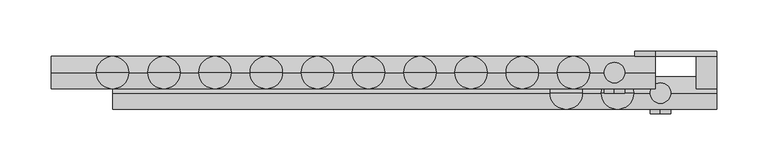
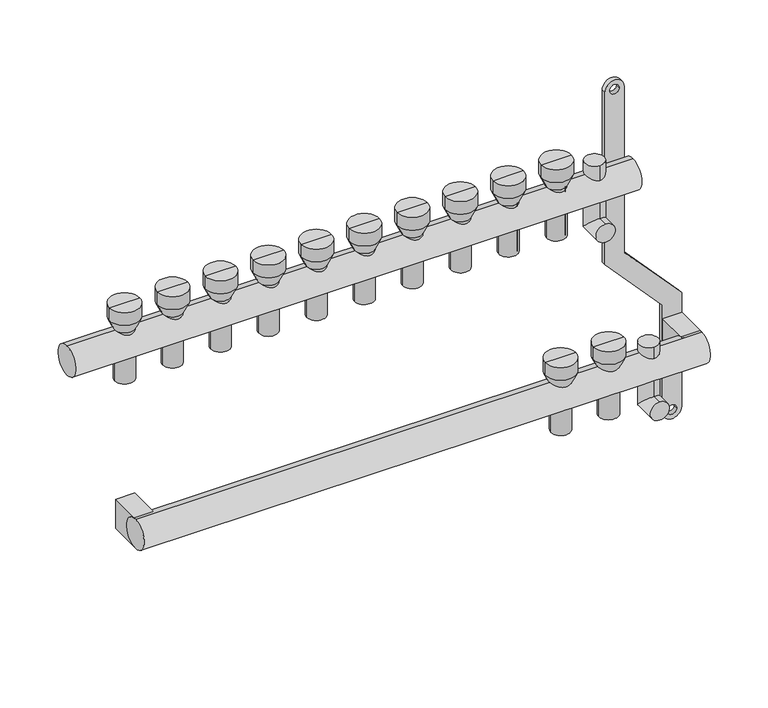
"""IFC4 building model written with IfcOpenShell, lengths in millimetres: proxy geometry."""

from ifc_helpers import new_model, si_unit, point, frame, frame_2d, origin, origin_2d, place, context, project, spatial, polyline, circle_curve, ellipse_curve, trimmed, segment, composite_curve, outline, extrude, source, transform, mapped, element, save
from ifc_brep_helpers import plane_surface, cylinder_surface, revolved_surface, advanced_brep


def mechanical_equipment_4b4aa3c7(model_context):
    return source(origin(), model_context, "Body", "SolidModel", [
        extrude(outline(composite_curve([segment(trimmed(circle_curve(frame_2d((86.2845679, 570.0)), 10.0), [point((86.2845679, 580.0))], [point((86.2845679, 560.0))], False, "CARTESIAN"), True, "CONTINUOUS"), segment(polyline([(86.2845679, 560.0), (-103.7138261, 560.0), (-169.0329221, 620.0), (-287.9537524, 620.0)]), True, "CONTINUOUS"), segment(trimmed(circle_curve(frame_2d((-287.9537524, 630.0)), 10.0), [point((-287.9537524, 620.0))], [point((-287.9537524, 640.0))], False, "CARTESIAN"), True, "CONTINUOUS"), segment(polyline([(-287.9537524, 640.0), (-162.5345282, 640.0), (-97.2154321, 580.0), (86.2845679, 580.0)]), True, "CONTINUOUS")], self_intersect=False), holes=[composite_curve([segment(trimmed(circle_curve(frame_2d((86.2845679, 570.0)), 5.0), [point((86.2845679, 565.0))], [point((86.2845679, 575.0))], True, "CARTESIAN"), True, "CONTINUOUS"), segment(trimmed(circle_curve(frame_2d((86.2845679, 570.0)), 5.0), [point((86.2845679, 575.0))], [point((86.2845679, 565.0))], True, "CARTESIAN"), True, "CONTINUOUS")], self_intersect=False), composite_curve([segment(trimmed(circle_curve(frame_2d((-287.9537524, 630.0)), 5.0), [point((-287.9537524, 625.0))], [point((-287.9537524, 635.0))], True, "CARTESIAN"), True, "CONTINUOUS"), segment(trimmed(circle_curve(frame_2d((-287.9537524, 630.0)), 5.0), [point((-287.9537524, 635.0))], [point((-287.9537524, 625.0))], True, "CARTESIAN"), True, "CONTINUOUS")], self_intersect=False)]), frame((0.0, 16.0, 0.0), z_axis=(0.0, 1.0, 0.0), x_axis=(0.0, 0.0, 1.0)), (0.0, 0.0, 1.0), 4.847249),
        advanced_brep(
        [(585.0, -40.0, -250.0), (585.0, -40.0, -230.0), (585.0, -10.0, -250.0), (585.0, -30.0, -230.0), (585.0, -10.0, -175.079492), (585.0, -30.0, -175.079492)],
        [
            (0, 1, circle_curve(frame((585.0, -40.0, -240.0), z_axis=(0.0, -1.0, 0.0), x_axis=(0.0, 0.0, 1.0)), 10.0)),
            (1, 0, circle_curve(frame((585.0, -40.0, -240.0), z_axis=(0.0, -1.0, 0.0), x_axis=(0.0, 0.0, 1.0)), 10.0)),
            (0, 2),
            (2, 3, ellipse_curve(frame((585.0, -20.0, -240.0), z_axis=(0.0, -0.7071067811865475, -0.7071067811865475), x_axis=(0.0, -0.7071067811865476, 0.7071067811865474)), 14.1421356, 10.0)),
            (3, 1),
            (3, 2, ellipse_curve(frame((585.0, -20.0, -240.0), z_axis=(0.0, -0.7071067811865475, -0.7071067811865475), x_axis=(0.0, -0.7071067811865476, 0.7071067811865474)), 14.1421356, 10.0)),
            (4, 5, circle_curve(frame((585.0, -20.0, -175.079492), z_axis=(0.0, 0.0, 1.0), x_axis=(0.0, -1.0, 0.0)), 10.0)),
            (5, 4, circle_curve(frame((585.0, -20.0, -175.079492), z_axis=(0.0, 0.0, 1.0), x_axis=(0.0, -1.0, 0.0)), 10.0)),
            (2, 4),
            (5, 3),
        ],
        [
            plane_surface(frame((585.0, -40.0, -240.0), z_axis=(0.0, -1.0, 0.0), x_axis=(1.0, 0.0, 0.0))),
            cylinder_surface(frame((585.0, -40.0, -240.0), z_axis=(0.0, -1.0, 0.0), x_axis=(0.0, 0.0, 1.0)), 10.0),
            plane_surface(frame((585.0, -20.0, -175.079492), z_axis=(0.0, 0.0, 1.0), x_axis=(1.0, 0.0, 0.0))),
            cylinder_surface(frame((585.0, -20.0, -240.0), z_axis=(0.0, 0.0, -1.0), x_axis=(0.0, -1.0, 0.0)), 10.0),
        ],
        [
            (0, [[1, 2]]),
            (1, [[-1, 3, 4, 5]]),
            (1, [[-2, -5, 6, -3]]),
            (2, [[7, 8]]),
            (3, [[-4, 9, -8, 10]]),
            (3, [[-6, -10, -7, -9]]),
        ],
    ),
        advanced_brep(
        [(540.0, -20.0, -50.0), (540.0, -20.0, -30.0), (540.0, 10.0, -50.0), (540.0, -10.0, -30.0), (540.0, 10.0, 28.420508), (540.0, -10.0, 28.420508)],
        [
            (0, 1, circle_curve(frame((540.0, -20.0, -40.0), z_axis=(0.0, -1.0, 0.0), x_axis=(0.0, 0.0, 1.0)), 10.0)),
            (1, 0, circle_curve(frame((540.0, -20.0, -40.0), z_axis=(0.0, -1.0, 0.0), x_axis=(0.0, 0.0, 1.0)), 10.0)),
            (0, 2),
            (2, 3, ellipse_curve(frame((540.0, 0.0, -40.0), z_axis=(0.0, -0.7071067811865486, -0.7071067811865464), x_axis=(0.0, -0.7071067811865466, 0.7071067811865485)), 14.1421356, 10.0)),
            (3, 1),
            (3, 2, ellipse_curve(frame((540.0, 0.0, -40.0), z_axis=(0.0, -0.7071067811865486, -0.7071067811865464), x_axis=(0.0, -0.7071067811865466, 0.7071067811865485)), 14.1421356, 10.0)),
            (4, 5, circle_curve(frame((540.0, 0.0, 28.420508), z_axis=(0.0, 0.0, 1.0), x_axis=(0.0, -1.0, 0.0)), 10.0)),
            (5, 4, circle_curve(frame((540.0, 0.0, 28.420508), z_axis=(0.0, 0.0, 1.0), x_axis=(0.0, -1.0, 0.0)), 10.0)),
            (2, 4),
            (5, 3),
        ],
        [
            plane_surface(frame((540.0, -20.0, -40.0), z_axis=(0.0, -1.0, 0.0), x_axis=(1.0, 0.0, 0.0))),
            cylinder_surface(frame((540.0, -20.0, -40.0), z_axis=(0.0, -1.0, 0.0), x_axis=(0.0, 0.0, 1.0)), 10.0),
            plane_surface(frame((540.0, 0.0, 28.420508), z_axis=(0.0, 0.0, 1.0), x_axis=(1.0, 0.0, 0.0))),
            cylinder_surface(frame((540.0, 0.0, -40.0), z_axis=(0.0, 0.0, -1.0), x_axis=(0.0, -1.0, 0.0)), 10.0),
        ],
        [
            (0, [[1, 2]]),
            (1, [[-1, 3, 4, 5]]),
            (1, [[-2, -5, 6, -3]]),
            (2, [[7, 8]]),
            (3, [[-4, 9, -8, 10]]),
            (3, [[-6, -10, -7, -9]]),
        ],
    ),
        extrude(outline(composite_curve([segment(trimmed(circle_curve(frame_2d((-20.0, -200.0)), 16.0), [point((-20.0, -216.0))], [point((-20.0, -184.0))], False, "CARTESIAN"), True, "CONTINUOUS"), segment(trimmed(circle_curve(frame_2d((-20.0, -200.0)), 16.0), [point((-20.0, -184.0))], [point((-20.0, -216.0))], False, "CARTESIAN"), True, "CONTINUOUS")], self_intersect=False)), frame((50.0, 0.0, 0.0), z_axis=(1.0, 0.0, 0.0), x_axis=(0.0, 1.0, 0.0)), (0.0, 0.0, 1.0), 590.0),
        extrude(outline(composite_curve([segment(trimmed(circle_curve(origin_2d(), 16.0), [point((0.0, -16.0))], [point((0.0, 16.0))], False, "CARTESIAN"), True, "CONTINUOUS"), segment(trimmed(circle_curve(origin_2d(), 16.0), [point((0.0, 16.0))], [point((0.0, -16.0))], False, "CARTESIAN"), True, "CONTINUOUS")], self_intersect=False)), frame((-10.0, 0.0, 0.0), z_axis=(1.0, 0.0, 0.0), x_axis=(0.0, 1.0, 0.0)), (0.0, 0.0, 1.0), 590.0),
        extrude(outline(polyline([(640.0, 16.0), (640.0, -20.0), (620.0, -20.0), (620.0, 16.0), (640.0, 16.0)])), frame((0.0, 0.0, -216.0), z_axis=(0.0, 0.0, 1.0), x_axis=(1.0, 0.0, 0.0)), (0.0, 0.0, 1.0), 32.0),
        extrude(outline(polyline([(70.0, 16.0), (70.0, -20.0), (50.0, -20.0), (50.0, 16.0), (70.0, 16.0)])), frame((0.0, 0.0, -216.0), z_axis=(0.0, 0.0, 1.0), x_axis=(1.0, 0.0, 0.0)), (0.0, 0.0, 1.0), 32.0),
        advanced_brep(
        [(508.0, 0.0, -40.0), (492.0, 0.0, -40.0), (492.0, 0.0, 16.0), (508.0, 0.0, 16.0), (510.0, 0.0, -40.0), (490.0, 0.0, -40.0), (510.0, 0.0, 16.0), (490.0, 0.0, 16.0), (515.791778, 0.0, 28.420508), (484.208222, 0.0, 28.420508), (515.791778, 0.0, 42.4712727), (484.208222, 0.0, 42.4712727), (500.0, 0.0, 42.4712727), (500.0, 0.0, 16.0)],
        [
            (0, 1, circle_curve(frame((500.0, 0.0, -40.0), z_axis=(0.0, 0.0, -1.0), x_axis=(-1.0, 0.0, 0.0)), 8.0)),
            (1, 2),
            (2, 3, circle_curve(frame((500.0, 0.0, 16.0), z_axis=(0.0, 0.0, 1.0), x_axis=(-1.0, 0.0, 0.0)), 8.0)),
            (3, 0),
            (1, 0, circle_curve(frame((500.0, 0.0, -40.0), z_axis=(0.0, 0.0, -1.0), x_axis=(-1.0, 0.0, 0.0)), 8.0)),
            (3, 2, circle_curve(frame((500.0, 0.0, 16.0), z_axis=(0.0, 0.0, 1.0), x_axis=(-1.0, 0.0, 0.0)), 8.0)),
            (4, 5, circle_curve(frame((500.0, 0.0, -40.0), z_axis=(0.0, 0.0, -1.0), x_axis=(-1.0, 0.0, 0.0)), 10.0)),
            (5, 1),
            (0, 4),
            (5, 4, circle_curve(frame((500.0, 0.0, -40.0), z_axis=(0.0, 0.0, -1.0), x_axis=(-1.0, 0.0, 0.0)), 10.0)),
            (6, 7, circle_curve(frame((500.0, 0.0, 16.0), z_axis=(0.0, 0.0, -1.0), x_axis=(-1.0, 0.0, 0.0)), 10.0)),
            (7, 5),
            (4, 6),
            (7, 6, circle_curve(frame((500.0, 0.0, 16.0), z_axis=(0.0, 0.0, -1.0), x_axis=(-1.0, 0.0, 0.0)), 10.0)),
            (8, 9, circle_curve(frame((500.0, 0.0, 28.420508), z_axis=(0.0, 0.0, -1.0), x_axis=(-1.0, 0.0, 0.0)), 15.791778)),
            (9, 7),
            (6, 8),
            (9, 8, circle_curve(frame((500.0, 0.0, 28.420508), z_axis=(0.0, 0.0, -1.0), x_axis=(-1.0, 0.0, 0.0)), 15.791778)),
            (10, 11, circle_curve(frame((500.0, 0.0, 42.4712727), z_axis=(0.0, 0.0, -1.0), x_axis=(-1.0, 0.0, 0.0)), 15.791778)),
            (11, 9),
            (8, 10),
            (11, 10, circle_curve(frame((500.0, 0.0, 42.4712727), z_axis=(0.0, 0.0, -1.0), x_axis=(-1.0, 0.0, 0.0)), 15.791778)),
            (12, 11),
            (10, 12),
            (2, 13),
            (13, 3),
        ],
        [
            revolved_surface(polyline([(492.0, 0.0, 16.0), (492.0, 0.0, -40.0)]), (500.0, 0.0, 0.0), (0.0, 0.0, 1.0)),
            plane_surface(frame((500.0, 0.0, -40.0), z_axis=(0.0, 0.0, -1.0), x_axis=(-1.0, 0.0, 0.0))),
            cylinder_surface(frame((500.0, 0.0, 0.0), z_axis=(0.0, 0.0, 1.0), x_axis=(-1.0, 0.0, 0.0)), 10.0),
            revolved_surface(polyline([(490.0, 0.0, 16.0), (484.208222, 0.0, 28.420508)]), (500.0, 0.0, 0.0), (0.0, 0.0, 1.0)),
            cylinder_surface(frame((500.0, 0.0, 0.0), z_axis=(0.0, 0.0, 1.0), x_axis=(-1.0, 0.0, 0.0)), 15.791778),
            plane_surface(frame((500.0, 0.0, 42.4712727), z_axis=(0.0, 0.0, 1.0), x_axis=(-1.0, 0.0, 0.0))),
            plane_surface(frame((500.0, 0.0, 16.0), z_axis=(0.0, 0.0, -1.0), x_axis=(-1.0, 0.0, 0.0))),
        ],
        [
            (0, [[1, 2, 3, 4]]),
            (0, [[5, -4, 6, -2]]),
            (1, [[7, 8, -1, 9]]),
            (1, [[10, -9, -5, -8]]),
            (2, [[11, 12, -7, 13]]),
            (2, [[14, -13, -10, -12]]),
            (3, [[15, 16, -11, 17]]),
            (3, [[18, -17, -14, -16]]),
            (4, [[19, 20, -15, 21]]),
            (4, [[22, -21, -18, -20]]),
            (5, [[23, -19, 24]]),
            (5, [[-24, -22, -23]]),
            (6, [[-3, 25, 26]]),
            (6, [[-6, -26, -25]]),
        ],
    ),
        advanced_brep(
        [(458.0, 0.0, -40.0), (442.0, 0.0, -40.0), (442.0, 0.0, 16.0), (458.0, 0.0, 16.0), (460.0, 0.0, -40.0), (440.0, 0.0, -40.0), (460.0, 0.0, 16.0), (440.0, 0.0, 16.0), (465.791778, 0.0, 28.420508), (434.208222, 0.0, 28.420508), (465.791778, 0.0, 42.4712727), (434.208222, 0.0, 42.4712727), (450.0, 0.0, 42.4712727), (450.0, 0.0, 16.0)],
        [
            (0, 1, circle_curve(frame((450.0, 0.0, -40.0), z_axis=(0.0, 0.0, -1.0), x_axis=(-1.0, 0.0, 0.0)), 8.0)),
            (1, 2),
            (2, 3, circle_curve(frame((450.0, 0.0, 16.0), z_axis=(0.0, 0.0, 1.0), x_axis=(-1.0, 0.0, 0.0)), 8.0)),
            (3, 0),
            (1, 0, circle_curve(frame((450.0, 0.0, -40.0), z_axis=(0.0, 0.0, -1.0), x_axis=(-1.0, 0.0, 0.0)), 8.0)),
            (3, 2, circle_curve(frame((450.0, 0.0, 16.0), z_axis=(0.0, 0.0, 1.0), x_axis=(-1.0, 0.0, 0.0)), 8.0)),
            (4, 5, circle_curve(frame((450.0, 0.0, -40.0), z_axis=(0.0, 0.0, -1.0), x_axis=(-1.0, 0.0, 0.0)), 10.0)),
            (5, 1),
            (0, 4),
            (5, 4, circle_curve(frame((450.0, 0.0, -40.0), z_axis=(0.0, 0.0, -1.0), x_axis=(-1.0, 0.0, 0.0)), 10.0)),
            (6, 7, circle_curve(frame((450.0, 0.0, 16.0), z_axis=(0.0, 0.0, -1.0), x_axis=(-1.0, 0.0, 0.0)), 10.0)),
            (7, 5),
            (4, 6),
            (7, 6, circle_curve(frame((450.0, 0.0, 16.0), z_axis=(0.0, 0.0, -1.0), x_axis=(-1.0, 0.0, 0.0)), 10.0)),
            (8, 9, circle_curve(frame((450.0, 0.0, 28.420508), z_axis=(0.0, 0.0, -1.0), x_axis=(-1.0, 0.0, 0.0)), 15.791778)),
            (9, 7),
            (6, 8),
            (9, 8, circle_curve(frame((450.0, 0.0, 28.420508), z_axis=(0.0, 0.0, -1.0), x_axis=(-1.0, 0.0, 0.0)), 15.791778)),
            (10, 11, circle_curve(frame((450.0, 0.0, 42.4712727), z_axis=(0.0, 0.0, -1.0), x_axis=(-1.0, 0.0, 0.0)), 15.791778)),
            (11, 9),
            (8, 10),
            (11, 10, circle_curve(frame((450.0, 0.0, 42.4712727), z_axis=(0.0, 0.0, -1.0), x_axis=(-1.0, 0.0, 0.0)), 15.791778)),
            (12, 11),
            (10, 12),
            (2, 13),
            (13, 3),
        ],
        [
            revolved_surface(polyline([(442.0, 0.0, 16.0), (442.0, 0.0, -40.0)]), (450.0, 0.0, 0.0), (0.0, 0.0, 1.0)),
            plane_surface(frame((450.0, 0.0, -40.0), z_axis=(0.0, 0.0, -1.0), x_axis=(-1.0, 0.0, 0.0))),
            cylinder_surface(frame((450.0, 0.0, 0.0), z_axis=(0.0, 0.0, 1.0), x_axis=(-1.0, 0.0, 0.0)), 10.0),
            revolved_surface(polyline([(440.0, 0.0, 16.0), (434.208222, 0.0, 28.420508)]), (450.0, 0.0, 0.0), (0.0, 0.0, 1.0)),
            cylinder_surface(frame((450.0, 0.0, 0.0), z_axis=(0.0, 0.0, 1.0), x_axis=(-1.0, 0.0, 0.0)), 15.791778),
            plane_surface(frame((450.0, 0.0, 42.4712727), z_axis=(0.0, 0.0, 1.0), x_axis=(-1.0, 0.0, 0.0))),
            plane_surface(frame((450.0, 0.0, 16.0), z_axis=(0.0, 0.0, -1.0), x_axis=(-1.0, 0.0, 0.0))),
        ],
        [
            (0, [[1, 2, 3, 4]]),
            (0, [[5, -4, 6, -2]]),
            (1, [[7, 8, -1, 9]]),
            (1, [[10, -9, -5, -8]]),
            (2, [[11, 12, -7, 13]]),
            (2, [[14, -13, -10, -12]]),
            (3, [[15, 16, -11, 17]]),
            (3, [[18, -17, -14, -16]]),
            (4, [[19, 20, -15, 21]]),
            (4, [[22, -21, -18, -20]]),
            (5, [[23, -19, 24]]),
            (5, [[-24, -22, -23]]),
            (6, [[-3, 25, 26]]),
            (6, [[-6, -26, -25]]),
        ],
    ),
        advanced_brep(
        [(408.0, 0.0, -40.0), (392.0, 0.0, -40.0), (392.0, 0.0, 16.0), (408.0, 0.0, 16.0), (410.0, 0.0, -40.0), (390.0, 0.0, -40.0), (410.0, 0.0, 16.0), (390.0, 0.0, 16.0), (415.791778, 0.0, 28.420508), (384.208222, 0.0, 28.420508), (415.791778, 0.0, 42.4712727), (384.208222, 0.0, 42.4712727), (400.0, 0.0, 42.4712727), (400.0, 0.0, 16.0)],
        [
            (0, 1, circle_curve(frame((400.0, 0.0, -40.0), z_axis=(0.0, 0.0, -1.0), x_axis=(-1.0, 0.0, 0.0)), 8.0)),
            (1, 2),
            (2, 3, circle_curve(frame((400.0, 0.0, 16.0), z_axis=(0.0, 0.0, 1.0), x_axis=(-1.0, 0.0, 0.0)), 8.0)),
            (3, 0),
            (1, 0, circle_curve(frame((400.0, 0.0, -40.0), z_axis=(0.0, 0.0, -1.0), x_axis=(-1.0, 0.0, 0.0)), 8.0)),
            (3, 2, circle_curve(frame((400.0, 0.0, 16.0), z_axis=(0.0, 0.0, 1.0), x_axis=(-1.0, 0.0, 0.0)), 8.0)),
            (4, 5, circle_curve(frame((400.0, 0.0, -40.0), z_axis=(0.0, 0.0, -1.0), x_axis=(-1.0, 0.0, 0.0)), 10.0)),
            (5, 1),
            (0, 4),
            (5, 4, circle_curve(frame((400.0, 0.0, -40.0), z_axis=(0.0, 0.0, -1.0), x_axis=(-1.0, 0.0, 0.0)), 10.0)),
            (6, 7, circle_curve(frame((400.0, 0.0, 16.0), z_axis=(0.0, 0.0, -1.0), x_axis=(-1.0, 0.0, 0.0)), 10.0)),
            (7, 5),
            (4, 6),
            (7, 6, circle_curve(frame((400.0, 0.0, 16.0), z_axis=(0.0, 0.0, -1.0), x_axis=(-1.0, 0.0, 0.0)), 10.0)),
            (8, 9, circle_curve(frame((400.0, 0.0, 28.420508), z_axis=(0.0, 0.0, -1.0), x_axis=(-1.0, 0.0, 0.0)), 15.791778)),
            (9, 7),
            (6, 8),
            (9, 8, circle_curve(frame((400.0, 0.0, 28.420508), z_axis=(0.0, 0.0, -1.0), x_axis=(-1.0, 0.0, 0.0)), 15.791778)),
            (10, 11, circle_curve(frame((400.0, 0.0, 42.4712727), z_axis=(0.0, 0.0, -1.0), x_axis=(-1.0, 0.0, 0.0)), 15.791778)),
            (11, 9),
            (8, 10),
            (11, 10, circle_curve(frame((400.0, 0.0, 42.4712727), z_axis=(0.0, 0.0, -1.0), x_axis=(-1.0, 0.0, 0.0)), 15.791778)),
            (12, 11),
            (10, 12),
            (2, 13),
            (13, 3),
        ],
        [
            revolved_surface(polyline([(392.0, 0.0, 16.0), (392.0, 0.0, -40.0)]), (400.0, 0.0, 0.0), (0.0, 0.0, 1.0)),
            plane_surface(frame((400.0, 0.0, -40.0), z_axis=(0.0, 0.0, -1.0), x_axis=(-1.0, 0.0, 0.0))),
            cylinder_surface(frame((400.0, 0.0, 0.0), z_axis=(0.0, 0.0, 1.0), x_axis=(-1.0, 0.0, 0.0)), 10.0),
            revolved_surface(polyline([(390.0, 0.0, 16.0), (384.208222, 0.0, 28.420508)]), (400.0, 0.0, 0.0), (0.0, 0.0, 1.0)),
            cylinder_surface(frame((400.0, 0.0, 0.0), z_axis=(0.0, 0.0, 1.0), x_axis=(-1.0, 0.0, 0.0)), 15.791778),
            plane_surface(frame((400.0, 0.0, 42.4712727), z_axis=(0.0, 0.0, 1.0), x_axis=(-1.0, 0.0, 0.0))),
            plane_surface(frame((400.0, 0.0, 16.0), z_axis=(0.0, 0.0, -1.0), x_axis=(-1.0, 0.0, 0.0))),
        ],
        [
            (0, [[1, 2, 3, 4]]),
            (0, [[5, -4, 6, -2]]),
            (1, [[7, 8, -1, 9]]),
            (1, [[10, -9, -5, -8]]),
            (2, [[11, 12, -7, 13]]),
            (2, [[14, -13, -10, -12]]),
            (3, [[15, 16, -11, 17]]),
            (3, [[18, -17, -14, -16]]),
            (4, [[19, 20, -15, 21]]),
            (4, [[22, -21, -18, -20]]),
            (5, [[23, -19, 24]]),
            (5, [[-24, -22, -23]]),
            (6, [[-3, 25, 26]]),
            (6, [[-6, -26, -25]]),
        ],
    ),
        advanced_brep(
        [(358.0, 0.0, -40.0), (342.0, 0.0, -40.0), (342.0, 0.0, 16.0), (358.0, 0.0, 16.0), (360.0, 0.0, -40.0), (340.0, 0.0, -40.0), (360.0, 0.0, 16.0), (340.0, 0.0, 16.0), (365.791778, 0.0, 28.420508), (334.208222, 0.0, 28.420508), (365.791778, 0.0, 42.4712727), (334.208222, 0.0, 42.4712727), (350.0, 0.0, 42.4712727), (350.0, 0.0, 16.0)],
        [
            (0, 1, circle_curve(frame((350.0, 0.0, -40.0), z_axis=(0.0, 0.0, -1.0), x_axis=(-1.0, 0.0, 0.0)), 8.0)),
            (1, 2),
            (2, 3, circle_curve(frame((350.0, 0.0, 16.0), z_axis=(0.0, 0.0, 1.0), x_axis=(-1.0, 0.0, 0.0)), 8.0)),
            (3, 0),
            (1, 0, circle_curve(frame((350.0, 0.0, -40.0), z_axis=(0.0, 0.0, -1.0), x_axis=(-1.0, 0.0, 0.0)), 8.0)),
            (3, 2, circle_curve(frame((350.0, 0.0, 16.0), z_axis=(0.0, 0.0, 1.0), x_axis=(-1.0, 0.0, 0.0)), 8.0)),
            (4, 5, circle_curve(frame((350.0, 0.0, -40.0), z_axis=(0.0, 0.0, -1.0), x_axis=(-1.0, 0.0, 0.0)), 10.0)),
            (5, 1),
            (0, 4),
            (5, 4, circle_curve(frame((350.0, 0.0, -40.0), z_axis=(0.0, 0.0, -1.0), x_axis=(-1.0, 0.0, 0.0)), 10.0)),
            (6, 7, circle_curve(frame((350.0, 0.0, 16.0), z_axis=(0.0, 0.0, -1.0), x_axis=(-1.0, 0.0, 0.0)), 10.0)),
            (7, 5),
            (4, 6),
            (7, 6, circle_curve(frame((350.0, 0.0, 16.0), z_axis=(0.0, 0.0, -1.0), x_axis=(-1.0, 0.0, 0.0)), 10.0)),
            (8, 9, circle_curve(frame((350.0, 0.0, 28.420508), z_axis=(0.0, 0.0, -1.0), x_axis=(-1.0, 0.0, 0.0)), 15.791778)),
            (9, 7),
            (6, 8),
            (9, 8, circle_curve(frame((350.0, 0.0, 28.420508), z_axis=(0.0, 0.0, -1.0), x_axis=(-1.0, 0.0, 0.0)), 15.791778)),
            (10, 11, circle_curve(frame((350.0, 0.0, 42.4712727), z_axis=(0.0, 0.0, -1.0), x_axis=(-1.0, 0.0, 0.0)), 15.791778)),
            (11, 9),
            (8, 10),
            (11, 10, circle_curve(frame((350.0, 0.0, 42.4712727), z_axis=(0.0, 0.0, -1.0), x_axis=(-1.0, 0.0, 0.0)), 15.791778)),
            (12, 11),
            (10, 12),
            (2, 13),
            (13, 3),
        ],
        [
            revolved_surface(polyline([(342.0, 0.0, 16.0), (342.0, 0.0, -40.0)]), (350.0, 0.0, 0.0), (0.0, 0.0, 1.0)),
            plane_surface(frame((350.0, 0.0, -40.0), z_axis=(0.0, 0.0, -1.0), x_axis=(-1.0, 0.0, 0.0))),
            cylinder_surface(frame((350.0, 0.0, 0.0), z_axis=(0.0, 0.0, 1.0), x_axis=(-1.0, 0.0, 0.0)), 10.0),
            revolved_surface(polyline([(340.0, 0.0, 16.0), (334.208222, 0.0, 28.420508)]), (350.0, 0.0, 0.0), (0.0, 0.0, 1.0)),
            cylinder_surface(frame((350.0, 0.0, 0.0), z_axis=(0.0, 0.0, 1.0), x_axis=(-1.0, 0.0, 0.0)), 15.791778),
            plane_surface(frame((350.0, 0.0, 42.4712727), z_axis=(0.0, 0.0, 1.0), x_axis=(-1.0, 0.0, 0.0))),
            plane_surface(frame((350.0, 0.0, 16.0), z_axis=(0.0, 0.0, -1.0), x_axis=(-1.0, 0.0, 0.0))),
        ],
        [
            (0, [[1, 2, 3, 4]]),
            (0, [[5, -4, 6, -2]]),
            (1, [[7, 8, -1, 9]]),
            (1, [[10, -9, -5, -8]]),
            (2, [[11, 12, -7, 13]]),
            (2, [[14, -13, -10, -12]]),
            (3, [[15, 16, -11, 17]]),
            (3, [[18, -17, -14, -16]]),
            (4, [[19, 20, -15, 21]]),
            (4, [[22, -21, -18, -20]]),
            (5, [[23, -19, 24]]),
            (5, [[-24, -22, -23]]),
            (6, [[-3, 25, 26]]),
            (6, [[-6, -26, -25]]),
        ],
    ),
        advanced_brep(
        [(308.0, 0.0, -40.0), (292.0, 0.0, -40.0), (292.0, 0.0, 16.0), (308.0, 0.0, 16.0), (310.0, 0.0, -40.0), (290.0, 0.0, -40.0), (310.0, 0.0, 16.0), (290.0, 0.0, 16.0), (315.791778, 0.0, 28.420508), (284.208222, 0.0, 28.420508), (315.791778, 0.0, 42.4712727), (284.208222, 0.0, 42.4712727), (300.0, 0.0, 42.4712727), (300.0, 0.0, 16.0)],
        [
            (0, 1, circle_curve(frame((300.0, 0.0, -40.0), z_axis=(0.0, 0.0, -1.0), x_axis=(-1.0, 0.0, 0.0)), 8.0)),
            (1, 2),
            (2, 3, circle_curve(frame((300.0, 0.0, 16.0), z_axis=(0.0, 0.0, 1.0), x_axis=(-1.0, 0.0, 0.0)), 8.0)),
            (3, 0),
            (1, 0, circle_curve(frame((300.0, 0.0, -40.0), z_axis=(0.0, 0.0, -1.0), x_axis=(-1.0, 0.0, 0.0)), 8.0)),
            (3, 2, circle_curve(frame((300.0, 0.0, 16.0), z_axis=(0.0, 0.0, 1.0), x_axis=(-1.0, 0.0, 0.0)), 8.0)),
            (4, 5, circle_curve(frame((300.0, 0.0, -40.0), z_axis=(0.0, 0.0, -1.0), x_axis=(-1.0, 0.0, 0.0)), 10.0)),
            (5, 1),
            (0, 4),
            (5, 4, circle_curve(frame((300.0, 0.0, -40.0), z_axis=(0.0, 0.0, -1.0), x_axis=(-1.0, 0.0, 0.0)), 10.0)),
            (6, 7, circle_curve(frame((300.0, 0.0, 16.0), z_axis=(0.0, 0.0, -1.0), x_axis=(-1.0, 0.0, 0.0)), 10.0)),
            (7, 5),
            (4, 6),
            (7, 6, circle_curve(frame((300.0, 0.0, 16.0), z_axis=(0.0, 0.0, -1.0), x_axis=(-1.0, 0.0, 0.0)), 10.0)),
            (8, 9, circle_curve(frame((300.0, 0.0, 28.420508), z_axis=(0.0, 0.0, -1.0), x_axis=(-1.0, 0.0, 0.0)), 15.791778)),
            (9, 7),
            (6, 8),
            (9, 8, circle_curve(frame((300.0, 0.0, 28.420508), z_axis=(0.0, 0.0, -1.0), x_axis=(-1.0, 0.0, 0.0)), 15.791778)),
            (10, 11, circle_curve(frame((300.0, 0.0, 42.4712727), z_axis=(0.0, 0.0, -1.0), x_axis=(-1.0, 0.0, 0.0)), 15.791778)),
            (11, 9),
            (8, 10),
            (11, 10, circle_curve(frame((300.0, 0.0, 42.4712727), z_axis=(0.0, 0.0, -1.0), x_axis=(-1.0, 0.0, 0.0)), 15.791778)),
            (12, 11),
            (10, 12),
            (2, 13),
            (13, 3),
        ],
        [
            revolved_surface(polyline([(292.0, 0.0, 16.0), (292.0, 0.0, -40.0)]), (300.0, 0.0, 0.0), (0.0, 0.0, 1.0)),
            plane_surface(frame((300.0, 0.0, -40.0), z_axis=(0.0, 0.0, -1.0), x_axis=(-1.0, 0.0, 0.0))),
            cylinder_surface(frame((300.0, 0.0, 0.0), z_axis=(0.0, 0.0, 1.0), x_axis=(-1.0, 0.0, 0.0)), 10.0),
            revolved_surface(polyline([(290.0, 0.0, 16.0), (284.208222, 0.0, 28.420508)]), (300.0, 0.0, 0.0), (0.0, 0.0, 1.0)),
            cylinder_surface(frame((300.0, 0.0, 0.0), z_axis=(0.0, 0.0, 1.0), x_axis=(-1.0, 0.0, 0.0)), 15.791778),
            plane_surface(frame((300.0, 0.0, 42.4712727), z_axis=(0.0, 0.0, 1.0), x_axis=(-1.0, 0.0, 0.0))),
            plane_surface(frame((300.0, 0.0, 16.0), z_axis=(0.0, 0.0, -1.0), x_axis=(-1.0, 0.0, 0.0))),
        ],
        [
            (0, [[1, 2, 3, 4]]),
            (0, [[5, -4, 6, -2]]),
            (1, [[7, 8, -1, 9]]),
            (1, [[10, -9, -5, -8]]),
            (2, [[11, 12, -7, 13]]),
            (2, [[14, -13, -10, -12]]),
            (3, [[15, 16, -11, 17]]),
            (3, [[18, -17, -14, -16]]),
            (4, [[19, 20, -15, 21]]),
            (4, [[22, -21, -18, -20]]),
            (5, [[23, -19, 24]]),
            (5, [[-24, -22, -23]]),
            (6, [[-3, 25, 26]]),
            (6, [[-6, -26, -25]]),
        ],
    ),
        advanced_brep(
        [(258.0, 0.0, -40.0), (242.0, 0.0, -40.0), (242.0, 0.0, 16.0), (258.0, 0.0, 16.0), (260.0, 0.0, -40.0), (240.0, 0.0, -40.0), (260.0, 0.0, 16.0), (240.0, 0.0, 16.0), (265.791778, 0.0, 28.420508), (234.208222, 0.0, 28.420508), (265.791778, 0.0, 42.4712727), (234.208222, 0.0, 42.4712727), (250.0, 0.0, 42.4712727), (250.0, 0.0, 16.0)],
        [
            (0, 1, circle_curve(frame((250.0, 0.0, -40.0), z_axis=(0.0, 0.0, -1.0), x_axis=(-1.0, 0.0, 0.0)), 8.0)),
            (1, 2),
            (2, 3, circle_curve(frame((250.0, 0.0, 16.0), z_axis=(0.0, 0.0, 1.0), x_axis=(-1.0, 0.0, 0.0)), 8.0)),
            (3, 0),
            (1, 0, circle_curve(frame((250.0, 0.0, -40.0), z_axis=(0.0, 0.0, -1.0), x_axis=(-1.0, 0.0, 0.0)), 8.0)),
            (3, 2, circle_curve(frame((250.0, 0.0, 16.0), z_axis=(0.0, 0.0, 1.0), x_axis=(-1.0, 0.0, 0.0)), 8.0)),
            (4, 5, circle_curve(frame((250.0, 0.0, -40.0), z_axis=(0.0, 0.0, -1.0), x_axis=(-1.0, 0.0, 0.0)), 10.0)),
            (5, 1),
            (0, 4),
            (5, 4, circle_curve(frame((250.0, 0.0, -40.0), z_axis=(0.0, 0.0, -1.0), x_axis=(-1.0, 0.0, 0.0)), 10.0)),
            (6, 7, circle_curve(frame((250.0, 0.0, 16.0), z_axis=(0.0, 0.0, -1.0), x_axis=(-1.0, 0.0, 0.0)), 10.0)),
            (7, 5),
            (4, 6),
            (7, 6, circle_curve(frame((250.0, 0.0, 16.0), z_axis=(0.0, 0.0, -1.0), x_axis=(-1.0, 0.0, 0.0)), 10.0)),
            (8, 9, circle_curve(frame((250.0, 0.0, 28.420508), z_axis=(0.0, 0.0, -1.0), x_axis=(-1.0, 0.0, 0.0)), 15.791778)),
            (9, 7),
            (6, 8),
            (9, 8, circle_curve(frame((250.0, 0.0, 28.420508), z_axis=(0.0, 0.0, -1.0), x_axis=(-1.0, 0.0, 0.0)), 15.791778)),
            (10, 11, circle_curve(frame((250.0, 0.0, 42.4712727), z_axis=(0.0, 0.0, -1.0), x_axis=(-1.0, 0.0, 0.0)), 15.791778)),
            (11, 9),
            (8, 10),
            (11, 10, circle_curve(frame((250.0, 0.0, 42.4712727), z_axis=(0.0, 0.0, -1.0), x_axis=(-1.0, 0.0, 0.0)), 15.791778)),
            (12, 11),
            (10, 12),
            (2, 13),
            (13, 3),
        ],
        [
            revolved_surface(polyline([(242.0, 0.0, 16.0), (242.0, 0.0, -40.0)]), (250.0, 0.0, 0.0), (0.0, 0.0, 1.0)),
            plane_surface(frame((250.0, 0.0, -40.0), z_axis=(0.0, 0.0, -1.0), x_axis=(-1.0, 0.0, 0.0))),
            cylinder_surface(frame((250.0, 0.0, 0.0), z_axis=(0.0, 0.0, 1.0), x_axis=(-1.0, 0.0, 0.0)), 10.0),
            revolved_surface(polyline([(240.0, 0.0, 16.0), (234.208222, 0.0, 28.420508)]), (250.0, 0.0, 0.0), (0.0, 0.0, 1.0)),
            cylinder_surface(frame((250.0, 0.0, 0.0), z_axis=(0.0, 0.0, 1.0), x_axis=(-1.0, 0.0, 0.0)), 15.791778),
            plane_surface(frame((250.0, 0.0, 42.4712727), z_axis=(0.0, 0.0, 1.0), x_axis=(-1.0, 0.0, 0.0))),
            plane_surface(frame((250.0, 0.0, 16.0), z_axis=(0.0, 0.0, -1.0), x_axis=(-1.0, 0.0, 0.0))),
        ],
        [
            (0, [[1, 2, 3, 4]]),
            (0, [[5, -4, 6, -2]]),
            (1, [[7, 8, -1, 9]]),
            (1, [[10, -9, -5, -8]]),
            (2, [[11, 12, -7, 13]]),
            (2, [[14, -13, -10, -12]]),
            (3, [[15, 16, -11, 17]]),
            (3, [[18, -17, -14, -16]]),
            (4, [[19, 20, -15, 21]]),
            (4, [[22, -21, -18, -20]]),
            (5, [[23, -19, 24]]),
            (5, [[-24, -22, -23]]),
            (6, [[-3, 25, 26]]),
            (6, [[-6, -26, -25]]),
        ],
    ),
        advanced_brep(
        [(208.0, 0.0, -40.0), (192.0, 0.0, -40.0), (192.0, 0.0, 16.0), (208.0, 0.0, 16.0), (210.0, 0.0, -40.0), (190.0, 0.0, -40.0), (210.0, 0.0, 16.0), (190.0, 0.0, 16.0), (215.791778, 0.0, 28.420508), (184.208222, 0.0, 28.420508), (215.791778, 0.0, 42.4712727), (184.208222, 0.0, 42.4712727), (200.0, 0.0, 42.4712727), (200.0, 0.0, 16.0)],
        [
            (0, 1, circle_curve(frame((200.0, 0.0, -40.0), z_axis=(0.0, 0.0, -1.0), x_axis=(-1.0, 0.0, 0.0)), 8.0)),
            (1, 2),
            (2, 3, circle_curve(frame((200.0, 0.0, 16.0), z_axis=(0.0, 0.0, 1.0), x_axis=(-1.0, 0.0, 0.0)), 8.0)),
            (3, 0),
            (1, 0, circle_curve(frame((200.0, 0.0, -40.0), z_axis=(0.0, 0.0, -1.0), x_axis=(-1.0, 0.0, 0.0)), 8.0)),
            (3, 2, circle_curve(frame((200.0, 0.0, 16.0), z_axis=(0.0, 0.0, 1.0), x_axis=(-1.0, 0.0, 0.0)), 8.0)),
            (4, 5, circle_curve(frame((200.0, 0.0, -40.0), z_axis=(0.0, 0.0, -1.0), x_axis=(-1.0, 0.0, 0.0)), 10.0)),
            (5, 1),
            (0, 4),
            (5, 4, circle_curve(frame((200.0, 0.0, -40.0), z_axis=(0.0, 0.0, -1.0), x_axis=(-1.0, 0.0, 0.0)), 10.0)),
            (6, 7, circle_curve(frame((200.0, 0.0, 16.0), z_axis=(0.0, 0.0, -1.0), x_axis=(-1.0, 0.0, 0.0)), 10.0)),
            (7, 5),
            (4, 6),
            (7, 6, circle_curve(frame((200.0, 0.0, 16.0), z_axis=(0.0, 0.0, -1.0), x_axis=(-1.0, 0.0, 0.0)), 10.0)),
            (8, 9, circle_curve(frame((200.0, 0.0, 28.420508), z_axis=(0.0, 0.0, -1.0), x_axis=(-1.0, 0.0, 0.0)), 15.791778)),
            (9, 7),
            (6, 8),
            (9, 8, circle_curve(frame((200.0, 0.0, 28.420508), z_axis=(0.0, 0.0, -1.0), x_axis=(-1.0, 0.0, 0.0)), 15.791778)),
            (10, 11, circle_curve(frame((200.0, 0.0, 42.4712727), z_axis=(0.0, 0.0, -1.0), x_axis=(-1.0, 0.0, 0.0)), 15.791778)),
            (11, 9),
            (8, 10),
            (11, 10, circle_curve(frame((200.0, 0.0, 42.4712727), z_axis=(0.0, 0.0, -1.0), x_axis=(-1.0, 0.0, 0.0)), 15.791778)),
            (12, 11),
            (10, 12),
            (2, 13),
            (13, 3),
        ],
        [
            revolved_surface(polyline([(192.0, 0.0, 16.0), (192.0, 0.0, -40.0)]), (200.0, 0.0, 0.0), (0.0, 0.0, 1.0)),
            plane_surface(frame((200.0, 0.0, -40.0), z_axis=(0.0, 0.0, -1.0), x_axis=(-1.0, 0.0, 0.0))),
            cylinder_surface(frame((200.0, 0.0, 0.0), z_axis=(0.0, 0.0, 1.0), x_axis=(-1.0, 0.0, 0.0)), 10.0),
            revolved_surface(polyline([(190.0, 0.0, 16.0), (184.208222, 0.0, 28.420508)]), (200.0, 0.0, 0.0), (0.0, 0.0, 1.0)),
            cylinder_surface(frame((200.0, 0.0, 0.0), z_axis=(0.0, 0.0, 1.0), x_axis=(-1.0, 0.0, 0.0)), 15.791778),
            plane_surface(frame((200.0, 0.0, 42.4712727), z_axis=(0.0, 0.0, 1.0), x_axis=(-1.0, 0.0, 0.0))),
            plane_surface(frame((200.0, 0.0, 16.0), z_axis=(0.0, 0.0, -1.0), x_axis=(-1.0, 0.0, 0.0))),
        ],
        [
            (0, [[1, 2, 3, 4]]),
            (0, [[5, -4, 6, -2]]),
            (1, [[7, 8, -1, 9]]),
            (1, [[10, -9, -5, -8]]),
            (2, [[11, 12, -7, 13]]),
            (2, [[14, -13, -10, -12]]),
            (3, [[15, 16, -11, 17]]),
            (3, [[18, -17, -14, -16]]),
            (4, [[19, 20, -15, 21]]),
            (4, [[22, -21, -18, -20]]),
            (5, [[23, -19, 24]]),
            (5, [[-24, -22, -23]]),
            (6, [[-3, 25, 26]]),
            (6, [[-6, -26, -25]]),
        ],
    ),
        advanced_brep(
        [(158.0, 0.0, -40.0), (142.0, 0.0, -40.0), (142.0, 0.0, 16.0), (158.0, 0.0, 16.0), (160.0, 0.0, -40.0), (140.0, 0.0, -40.0), (160.0, 0.0, 16.0), (140.0, 0.0, 16.0), (165.791778, 0.0, 28.420508), (134.208222, 0.0, 28.420508), (165.791778, 0.0, 42.4712727), (134.208222, 0.0, 42.4712727), (150.0, 0.0, 42.4712727), (150.0, 0.0, 16.0)],
        [
            (0, 1, circle_curve(frame((150.0, 0.0, -40.0), z_axis=(0.0, 0.0, -1.0), x_axis=(-1.0, 0.0, 0.0)), 8.0)),
            (1, 2),
            (2, 3, circle_curve(frame((150.0, 0.0, 16.0), z_axis=(0.0, 0.0, 1.0), x_axis=(-1.0, 0.0, 0.0)), 8.0)),
            (3, 0),
            (1, 0, circle_curve(frame((150.0, 0.0, -40.0), z_axis=(0.0, 0.0, -1.0), x_axis=(-1.0, 0.0, 0.0)), 8.0)),
            (3, 2, circle_curve(frame((150.0, 0.0, 16.0), z_axis=(0.0, 0.0, 1.0), x_axis=(-1.0, 0.0, 0.0)), 8.0)),
            (4, 5, circle_curve(frame((150.0, 0.0, -40.0), z_axis=(0.0, 0.0, -1.0), x_axis=(-1.0, 0.0, 0.0)), 10.0)),
            (5, 1),
            (0, 4),
            (5, 4, circle_curve(frame((150.0, 0.0, -40.0), z_axis=(0.0, 0.0, -1.0), x_axis=(-1.0, 0.0, 0.0)), 10.0)),
            (6, 7, circle_curve(frame((150.0, 0.0, 16.0), z_axis=(0.0, 0.0, -1.0), x_axis=(-1.0, 0.0, 0.0)), 10.0)),
            (7, 5),
            (4, 6),
            (7, 6, circle_curve(frame((150.0, 0.0, 16.0), z_axis=(0.0, 0.0, -1.0), x_axis=(-1.0, 0.0, 0.0)), 10.0)),
            (8, 9, circle_curve(frame((150.0, 0.0, 28.420508), z_axis=(0.0, 0.0, -1.0), x_axis=(-1.0, 0.0, 0.0)), 15.791778)),
            (9, 7),
            (6, 8),
            (9, 8, circle_curve(frame((150.0, 0.0, 28.420508), z_axis=(0.0, 0.0, -1.0), x_axis=(-1.0, 0.0, 0.0)), 15.791778)),
            (10, 11, circle_curve(frame((150.0, 0.0, 42.4712727), z_axis=(0.0, 0.0, -1.0), x_axis=(-1.0, 0.0, 0.0)), 15.791778)),
            (11, 9),
            (8, 10),
            (11, 10, circle_curve(frame((150.0, 0.0, 42.4712727), z_axis=(0.0, 0.0, -1.0), x_axis=(-1.0, 0.0, 0.0)), 15.791778)),
            (12, 11),
            (10, 12),
            (2, 13),
            (13, 3),
        ],
        [
            revolved_surface(polyline([(142.0, 0.0, 16.0), (142.0, 0.0, -40.0)]), (150.0, 0.0, 0.0), (0.0, 0.0, 1.0)),
            plane_surface(frame((150.0, 0.0, -40.0), z_axis=(0.0, 0.0, -1.0), x_axis=(-1.0, 0.0, 0.0))),
            cylinder_surface(frame((150.0, 0.0, 0.0), z_axis=(0.0, 0.0, 1.0), x_axis=(-1.0, 0.0, 0.0)), 10.0),
            revolved_surface(polyline([(140.0, 0.0, 16.0), (134.208222, 0.0, 28.420508)]), (150.0, 0.0, 0.0), (0.0, 0.0, 1.0)),
            cylinder_surface(frame((150.0, 0.0, 0.0), z_axis=(0.0, 0.0, 1.0), x_axis=(-1.0, 0.0, 0.0)), 15.791778),
            plane_surface(frame((150.0, 0.0, 42.4712727), z_axis=(0.0, 0.0, 1.0), x_axis=(-1.0, 0.0, 0.0))),
            plane_surface(frame((150.0, 0.0, 16.0), z_axis=(0.0, 0.0, -1.0), x_axis=(-1.0, 0.0, 0.0))),
        ],
        [
            (0, [[1, 2, 3, 4]]),
            (0, [[5, -4, 6, -2]]),
            (1, [[7, 8, -1, 9]]),
            (1, [[10, -9, -5, -8]]),
            (2, [[11, 12, -7, 13]]),
            (2, [[14, -13, -10, -12]]),
            (3, [[15, 16, -11, 17]]),
            (3, [[18, -17, -14, -16]]),
            (4, [[19, 20, -15, 21]]),
            (4, [[22, -21, -18, -20]]),
            (5, [[23, -19, 24]]),
            (5, [[-24, -22, -23]]),
            (6, [[-3, 25, 26]]),
            (6, [[-6, -26, -25]]),
        ],
    ),
        advanced_brep(
        [(108.0, 0.0, -40.0), (92.0, 0.0, -40.0), (92.0, 0.0, 16.0), (108.0, 0.0, 16.0), (110.0, 0.0, -40.0), (90.0, 0.0, -40.0), (110.0, 0.0, 16.0), (90.0, 0.0, 16.0), (115.791778, 0.0, 28.420508), (84.208222, 0.0, 28.420508), (115.791778, 0.0, 42.4712727), (84.208222, 0.0, 42.4712727), (100.0, 0.0, 42.4712727), (100.0, 0.0, 16.0)],
        [
            (0, 1, circle_curve(frame((100.0, 0.0, -40.0), z_axis=(0.0, 0.0, -1.0), x_axis=(-1.0, 0.0, 0.0)), 8.0)),
            (1, 2),
            (2, 3, circle_curve(frame((100.0, 0.0, 16.0), z_axis=(0.0, 0.0, 1.0), x_axis=(-1.0, 0.0, 0.0)), 8.0)),
            (3, 0),
            (1, 0, circle_curve(frame((100.0, 0.0, -40.0), z_axis=(0.0, 0.0, -1.0), x_axis=(-1.0, 0.0, 0.0)), 8.0)),
            (3, 2, circle_curve(frame((100.0, 0.0, 16.0), z_axis=(0.0, 0.0, 1.0), x_axis=(-1.0, 0.0, 0.0)), 8.0)),
            (4, 5, circle_curve(frame((100.0, 0.0, -40.0), z_axis=(0.0, 0.0, -1.0), x_axis=(-1.0, 0.0, 0.0)), 10.0)),
            (5, 1),
            (0, 4),
            (5, 4, circle_curve(frame((100.0, 0.0, -40.0), z_axis=(0.0, 0.0, -1.0), x_axis=(-1.0, 0.0, 0.0)), 10.0)),
            (6, 7, circle_curve(frame((100.0, 0.0, 16.0), z_axis=(0.0, 0.0, -1.0), x_axis=(-1.0, 0.0, 0.0)), 10.0)),
            (7, 5),
            (4, 6),
            (7, 6, circle_curve(frame((100.0, 0.0, 16.0), z_axis=(0.0, 0.0, -1.0), x_axis=(-1.0, 0.0, 0.0)), 10.0)),
            (8, 9, circle_curve(frame((100.0, 0.0, 28.420508), z_axis=(0.0, 0.0, -1.0), x_axis=(-1.0, 0.0, 0.0)), 15.791778)),
            (9, 7),
            (6, 8),
            (9, 8, circle_curve(frame((100.0, 0.0, 28.420508), z_axis=(0.0, 0.0, -1.0), x_axis=(-1.0, 0.0, 0.0)), 15.791778)),
            (10, 11, circle_curve(frame((100.0, 0.0, 42.4712727), z_axis=(0.0, 0.0, -1.0), x_axis=(-1.0, 0.0, 0.0)), 15.791778)),
            (11, 9),
            (8, 10),
            (11, 10, circle_curve(frame((100.0, 0.0, 42.4712727), z_axis=(0.0, 0.0, -1.0), x_axis=(-1.0, 0.0, 0.0)), 15.791778)),
            (12, 11),
            (10, 12),
            (2, 13),
            (13, 3),
        ],
        [
            revolved_surface(polyline([(92.0, 0.0, 16.0), (92.0, 0.0, -40.0)]), (100.0, 0.0, 0.0), (0.0, 0.0, 1.0)),
            plane_surface(frame((100.0, 0.0, -40.0), z_axis=(0.0, 0.0, -1.0), x_axis=(-1.0, 0.0, 0.0))),
            cylinder_surface(frame((100.0, 0.0, 0.0), z_axis=(0.0, 0.0, 1.0), x_axis=(-1.0, 0.0, 0.0)), 10.0),
            revolved_surface(polyline([(90.0, 0.0, 16.0), (84.208222, 0.0, 28.420508)]), (100.0, 0.0, 0.0), (0.0, 0.0, 1.0)),
            cylinder_surface(frame((100.0, 0.0, 0.0), z_axis=(0.0, 0.0, 1.0), x_axis=(-1.0, 0.0, 0.0)), 15.791778),
            plane_surface(frame((100.0, 0.0, 42.4712727), z_axis=(0.0, 0.0, 1.0), x_axis=(-1.0, 0.0, 0.0))),
            plane_surface(frame((100.0, 0.0, 16.0), z_axis=(0.0, 0.0, -1.0), x_axis=(-1.0, 0.0, 0.0))),
        ],
        [
            (0, [[1, 2, 3, 4]]),
            (0, [[5, -4, 6, -2]]),
            (1, [[7, 8, -1, 9]]),
            (1, [[10, -9, -5, -8]]),
            (2, [[11, 12, -7, 13]]),
            (2, [[14, -13, -10, -12]]),
            (3, [[15, 16, -11, 17]]),
            (3, [[18, -17, -14, -16]]),
            (4, [[19, 20, -15, 21]]),
            (4, [[22, -21, -18, -20]]),
            (5, [[23, -19, 24]]),
            (5, [[-24, -22, -23]]),
            (6, [[-3, 25, 26]]),
            (6, [[-6, -26, -25]]),
        ],
    ),
        advanced_brep(
        [(58.0, 0.0, -40.0), (42.0, 0.0, -40.0), (42.0, 0.0, 16.0), (58.0, 0.0, 16.0), (60.0, 0.0, -40.0), (40.0, 0.0, -40.0), (60.0, 0.0, 16.0), (40.0, 0.0, 16.0), (65.791778, 0.0, 28.420508), (34.208222, 0.0, 28.420508), (65.791778, 0.0, 42.4712727), (34.208222, 0.0, 42.4712727), (50.0, 0.0, 42.4712727), (50.0, 0.0, 16.0)],
        [
            (0, 1, circle_curve(frame((50.0, 0.0, -40.0), z_axis=(0.0, 0.0, -1.0), x_axis=(-1.0, 0.0, 0.0)), 8.0)),
            (1, 2),
            (2, 3, circle_curve(frame((50.0, 0.0, 16.0), z_axis=(0.0, 0.0, 1.0), x_axis=(-1.0, 0.0, 0.0)), 8.0)),
            (3, 0),
            (1, 0, circle_curve(frame((50.0, 0.0, -40.0), z_axis=(0.0, 0.0, -1.0), x_axis=(-1.0, 0.0, 0.0)), 8.0)),
            (3, 2, circle_curve(frame((50.0, 0.0, 16.0), z_axis=(0.0, 0.0, 1.0), x_axis=(-1.0, 0.0, 0.0)), 8.0)),
            (4, 5, circle_curve(frame((50.0, 0.0, -40.0), z_axis=(0.0, 0.0, -1.0), x_axis=(-1.0, 0.0, 0.0)), 10.0)),
            (5, 1),
            (0, 4),
            (5, 4, circle_curve(frame((50.0, 0.0, -40.0), z_axis=(0.0, 0.0, -1.0), x_axis=(-1.0, 0.0, 0.0)), 10.0)),
            (6, 7, circle_curve(frame((50.0, 0.0, 16.0), z_axis=(0.0, 0.0, -1.0), x_axis=(-1.0, 0.0, 0.0)), 10.0)),
            (7, 5),
            (4, 6),
            (7, 6, circle_curve(frame((50.0, 0.0, 16.0), z_axis=(0.0, 0.0, -1.0), x_axis=(-1.0, 0.0, 0.0)), 10.0)),
            (8, 9, circle_curve(frame((50.0, 0.0, 28.420508), z_axis=(0.0, 0.0, -1.0), x_axis=(-1.0, 0.0, 0.0)), 15.791778)),
            (9, 7),
            (6, 8),
            (9, 8, circle_curve(frame((50.0, 0.0, 28.420508), z_axis=(0.0, 0.0, -1.0), x_axis=(-1.0, 0.0, 0.0)), 15.791778)),
            (10, 11, circle_curve(frame((50.0, 0.0, 42.4712727), z_axis=(0.0, 0.0, -1.0), x_axis=(-1.0, 0.0, 0.0)), 15.791778)),
            (11, 9),
            (8, 10),
            (11, 10, circle_curve(frame((50.0, 0.0, 42.4712727), z_axis=(0.0, 0.0, -1.0), x_axis=(-1.0, 0.0, 0.0)), 15.791778)),
            (12, 11),
            (10, 12),
            (2, 13),
            (13, 3),
        ],
        [
            revolved_surface(polyline([(42.0, 0.0, 16.0), (42.0, 0.0, -40.0)]), (50.0, 0.0, 0.0), (0.0, 0.0, 1.0)),
            plane_surface(frame((50.0, 0.0, -40.0), z_axis=(0.0, 0.0, -1.0), x_axis=(-1.0, 0.0, 0.0))),
            cylinder_surface(frame((50.0, 0.0, 0.0), z_axis=(0.0, 0.0, 1.0), x_axis=(-1.0, 0.0, 0.0)), 10.0),
            revolved_surface(polyline([(40.0, 0.0, 16.0), (34.208222, 0.0, 28.420508)]), (50.0, 0.0, 0.0), (0.0, 0.0, 1.0)),
            cylinder_surface(frame((50.0, 0.0, 0.0), z_axis=(0.0, 0.0, 1.0), x_axis=(-1.0, 0.0, 0.0)), 15.791778),
            plane_surface(frame((50.0, 0.0, 42.4712727), z_axis=(0.0, 0.0, 1.0), x_axis=(-1.0, 0.0, 0.0))),
            plane_surface(frame((50.0, 0.0, 16.0), z_axis=(0.0, 0.0, -1.0), x_axis=(-1.0, 0.0, 0.0))),
        ],
        [
            (0, [[1, 2, 3, 4]]),
            (0, [[5, -4, 6, -2]]),
            (1, [[7, 8, -1, 9]]),
            (1, [[10, -9, -5, -8]]),
            (2, [[11, 12, -7, 13]]),
            (2, [[14, -13, -10, -12]]),
            (3, [[15, 16, -11, 17]]),
            (3, [[18, -17, -14, -16]]),
            (4, [[19, 20, -15, 21]]),
            (4, [[22, -21, -18, -20]]),
            (5, [[23, -19, 24]]),
            (5, [[-24, -22, -23]]),
            (6, [[-3, 25, 26]]),
            (6, [[-6, -26, -25]]),
        ],
    ),
        advanced_brep(
        [(551.0, -20.0, -240.0), (535.0, -20.0, -240.0), (535.0, -20.0, -187.5), (551.0, -20.0, -187.5), (553.0, -20.0, -240.0), (533.0, -20.0, -240.0), (553.0, -20.0, -187.5), (533.0, -20.0, -187.5), (558.791778, -20.0, -175.079492), (527.208222, -20.0, -175.079492), (558.791778, -20.0, -161.0287273), (527.208222, -20.0, -161.0287273), (543.0, -20.0, -161.0287273), (543.0, -20.0, -187.5)],
        [
            (0, 1, circle_curve(frame((543.0, -20.0, -240.0), z_axis=(0.0, 0.0, -1.0), x_axis=(-1.0, 0.0, 0.0)), 8.0)),
            (1, 2),
            (2, 3, circle_curve(frame((543.0, -20.0, -187.5), z_axis=(0.0, 0.0, 1.0), x_axis=(-1.0, 0.0, 0.0)), 8.0)),
            (3, 0),
            (1, 0, circle_curve(frame((543.0, -20.0, -240.0), z_axis=(0.0, 0.0, -1.0), x_axis=(-1.0, 0.0, 0.0)), 8.0)),
            (3, 2, circle_curve(frame((543.0, -20.0, -187.5), z_axis=(0.0, 0.0, 1.0), x_axis=(-1.0, 0.0, 0.0)), 8.0)),
            (4, 5, circle_curve(frame((543.0, -20.0, -240.0), z_axis=(0.0, 0.0, -1.0), x_axis=(-1.0, 0.0, 0.0)), 10.0)),
            (5, 1),
            (0, 4),
            (5, 4, circle_curve(frame((543.0, -20.0, -240.0), z_axis=(0.0, 0.0, -1.0), x_axis=(-1.0, 0.0, 0.0)), 10.0)),
            (6, 7, circle_curve(frame((543.0, -20.0, -187.5), z_axis=(0.0, 0.0, -1.0), x_axis=(-1.0, 0.0, 0.0)), 10.0)),
            (7, 5),
            (4, 6),
            (7, 6, circle_curve(frame((543.0, -20.0, -187.5), z_axis=(0.0, 0.0, -1.0), x_axis=(-1.0, 0.0, 0.0)), 10.0)),
            (8, 9, circle_curve(frame((543.0, -20.0, -175.079492), z_axis=(0.0, 0.0, -1.0), x_axis=(-1.0, 0.0, 0.0)), 15.791778)),
            (9, 7),
            (6, 8),
            (9, 8, circle_curve(frame((543.0, -20.0, -175.079492), z_axis=(0.0, 0.0, -1.0), x_axis=(-1.0, 0.0, 0.0)), 15.791778)),
            (10, 11, circle_curve(frame((543.0, -20.0, -161.0287273), z_axis=(0.0, 0.0, -1.0), x_axis=(-1.0, 0.0, 0.0)), 15.791778)),
            (11, 9),
            (8, 10),
            (11, 10, circle_curve(frame((543.0, -20.0, -161.0287273), z_axis=(0.0, 0.0, -1.0), x_axis=(-1.0, 0.0, 0.0)), 15.791778)),
            (12, 11),
            (10, 12),
            (2, 13),
            (13, 3),
        ],
        [
            revolved_surface(polyline([(535.0, -20.0, -187.5), (535.0, -20.0, -240.0)]), (543.0, -20.0, -200.0), (0.0, 0.0, 1.0)),
            plane_surface(frame((543.0, -20.0, -240.0), z_axis=(0.0, 0.0, -1.0), x_axis=(-1.0, 0.0, 0.0))),
            cylinder_surface(frame((543.0, -20.0, -200.0), z_axis=(0.0, 0.0, 1.0), x_axis=(-1.0, 0.0, 0.0)), 10.0),
            revolved_surface(polyline([(533.0, -20.0, -187.5), (527.208222, -20.0, -175.079492)]), (543.0, -20.0, -200.0), (0.0, 0.0, 1.0)),
            cylinder_surface(frame((543.0, -20.0, -200.0), z_axis=(0.0, 0.0, 1.0), x_axis=(-1.0, 0.0, 0.0)), 15.791778),
            plane_surface(frame((543.0, -20.0, -161.0287273), z_axis=(0.0, 0.0, 1.0), x_axis=(-1.0, 0.0, 0.0))),
            plane_surface(frame((543.0, -20.0, -187.5), z_axis=(0.0, 0.0, -1.0), x_axis=(-1.0, 0.0, 0.0))),
        ],
        [
            (0, [[1, 2, 3, 4]]),
            (0, [[5, -4, 6, -2]]),
            (1, [[7, 8, -1, 9]]),
            (1, [[10, -9, -5, -8]]),
            (2, [[11, 12, -7, 13]]),
            (2, [[14, -13, -10, -12]]),
            (3, [[15, 16, -11, 17]]),
            (3, [[18, -17, -14, -16]]),
            (4, [[19, 20, -15, 21]]),
            (4, [[22, -21, -18, -20]]),
            (5, [[23, -19, 24]]),
            (5, [[-24, -22, -23]]),
            (6, [[-3, 25, 26]]),
            (6, [[-6, -26, -25]]),
        ],
    ),
        advanced_brep(
        [(501.0, -20.0, -240.0), (485.0, -20.0, -240.0), (485.0, -20.0, -187.5), (501.0, -20.0, -187.5), (503.0, -20.0, -240.0), (483.0, -20.0, -240.0), (503.0, -20.0, -187.5), (483.0, -20.0, -187.5), (508.791778, -20.0, -175.079492), (477.208222, -20.0, -175.079492), (508.791778, -20.0, -161.0287273), (477.208222, -20.0, -161.0287273), (493.0, -20.0, -161.0287273), (493.0, -20.0, -187.5)],
        [
            (0, 1, circle_curve(frame((493.0, -20.0, -240.0), z_axis=(0.0, 0.0, -1.0), x_axis=(-1.0, 0.0, 0.0)), 8.0)),
            (1, 2),
            (2, 3, circle_curve(frame((493.0, -20.0, -187.5), z_axis=(0.0, 0.0, 1.0), x_axis=(-1.0, 0.0, 0.0)), 8.0)),
            (3, 0),
            (1, 0, circle_curve(frame((493.0, -20.0, -240.0), z_axis=(0.0, 0.0, -1.0), x_axis=(-1.0, 0.0, 0.0)), 8.0)),
            (3, 2, circle_curve(frame((493.0, -20.0, -187.5), z_axis=(0.0, 0.0, 1.0), x_axis=(-1.0, 0.0, 0.0)), 8.0)),
            (4, 5, circle_curve(frame((493.0, -20.0, -240.0), z_axis=(0.0, 0.0, -1.0), x_axis=(-1.0, 0.0, 0.0)), 10.0)),
            (5, 1),
            (0, 4),
            (5, 4, circle_curve(frame((493.0, -20.0, -240.0), z_axis=(0.0, 0.0, -1.0), x_axis=(-1.0, 0.0, 0.0)), 10.0)),
            (6, 7, circle_curve(frame((493.0, -20.0, -187.5), z_axis=(0.0, 0.0, -1.0), x_axis=(-1.0, 0.0, 0.0)), 10.0)),
            (7, 5),
            (4, 6),
            (7, 6, circle_curve(frame((493.0, -20.0, -187.5), z_axis=(0.0, 0.0, -1.0), x_axis=(-1.0, 0.0, 0.0)), 10.0)),
            (8, 9, circle_curve(frame((493.0, -20.0, -175.079492), z_axis=(0.0, 0.0, -1.0), x_axis=(-1.0, 0.0, 0.0)), 15.791778)),
            (9, 7),
            (6, 8),
            (9, 8, circle_curve(frame((493.0, -20.0, -175.079492), z_axis=(0.0, 0.0, -1.0), x_axis=(-1.0, 0.0, 0.0)), 15.791778)),
            (10, 11, circle_curve(frame((493.0, -20.0, -161.0287273), z_axis=(0.0, 0.0, -1.0), x_axis=(-1.0, 0.0, 0.0)), 15.791778)),
            (11, 9),
            (8, 10),
            (11, 10, circle_curve(frame((493.0, -20.0, -161.0287273), z_axis=(0.0, 0.0, -1.0), x_axis=(-1.0, 0.0, 0.0)), 15.791778)),
            (12, 11),
            (10, 12),
            (2, 13),
            (13, 3),
        ],
        [
            revolved_surface(polyline([(485.0, -20.0, -187.5), (485.0, -20.0, -240.0)]), (493.0, -20.0, -200.0), (0.0, 0.0, 1.0)),
            plane_surface(frame((493.0, -20.0, -240.0), z_axis=(0.0, 0.0, -1.0), x_axis=(-1.0, 0.0, 0.0))),
            cylinder_surface(frame((493.0, -20.0, -200.0), z_axis=(0.0, 0.0, 1.0), x_axis=(-1.0, 0.0, 0.0)), 10.0),
            revolved_surface(polyline([(483.0, -20.0, -187.5), (477.208222, -20.0, -175.079492)]), (493.0, -20.0, -200.0), (0.0, 0.0, 1.0)),
            cylinder_surface(frame((493.0, -20.0, -200.0), z_axis=(0.0, 0.0, 1.0), x_axis=(-1.0, 0.0, 0.0)), 15.791778),
            plane_surface(frame((493.0, -20.0, -161.0287273), z_axis=(0.0, 0.0, 1.0), x_axis=(-1.0, 0.0, 0.0))),
            plane_surface(frame((493.0, -20.0, -187.5), z_axis=(0.0, 0.0, -1.0), x_axis=(-1.0, 0.0, 0.0))),
        ],
        [
            (0, [[1, 2, 3, 4]]),
            (0, [[5, -4, 6, -2]]),
            (1, [[7, 8, -1, 9]]),
            (1, [[10, -9, -5, -8]]),
            (2, [[11, 12, -7, 13]]),
            (2, [[14, -13, -10, -12]]),
            (3, [[15, 16, -11, 17]]),
            (3, [[18, -17, -14, -16]]),
            (4, [[19, 20, -15, 21]]),
            (4, [[22, -21, -18, -20]]),
            (5, [[23, -19, 24]]),
            (5, [[-24, -22, -23]]),
            (6, [[-3, 25, 26]]),
            (6, [[-6, -26, -25]]),
        ],
    ),
    ])


if __name__ == "__main__":
    model = new_model("IFC4")
    model_context = context("Model", 3, world=origin())
    ifc_project = project(units=[si_unit("LENGTHUNIT", "METRE", prefix="MILLI")], contexts=[model_context])
    site = spatial("IfcSite", under=ifc_project)
    building = spatial("IfcBuilding", under=site)
    placement = place(None, origin())
    mechanical_equipment_shape = mechanical_equipment_4b4aa3c7(model_context)
    element("IfcBuildingElementProxy", 1, Name="Mechanical Equipment", at=placement, inside=building, context=model_context, shape_type="MappedRepresentation", body=[
        mapped(mechanical_equipment_shape, transform((0.0, 0.0, 0.0), x_axis=(1.0, 0.0, 0.0), y_axis=(0.0, 1.0, 0.0), z_axis=(0.0, 0.0, 1.0))),
    ])
    save(model, "model.ifc")
